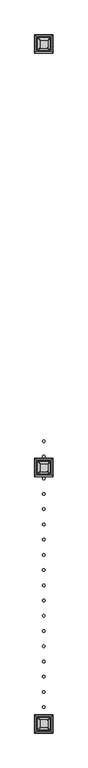
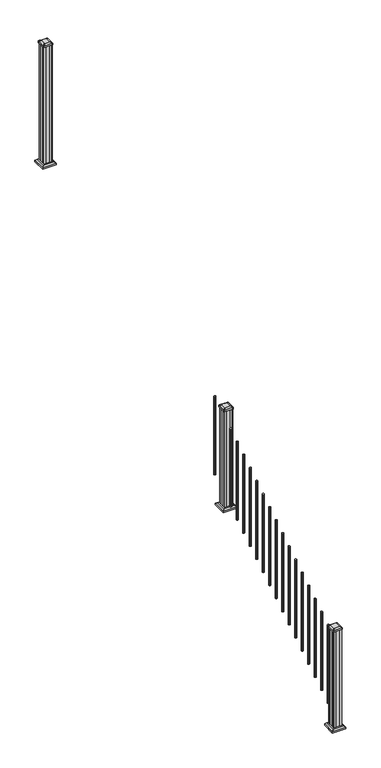
"""IFC4 building model written with IfcOpenShell, lengths in millimetres: railing geometry."""

from ifc_helpers import new_model, si_unit, point, frame, frame_2d, origin, place, context, project, spatial, polyline, circle_curve, trimmed, segment, composite_curve, outline, extrude, faceted_brep, source, transform, mapped, element, save
from ifc_brep_helpers import plane_surface, extruded_surface, advanced_brep


def railing_eb38c4d0(model_context):
    return source(origin(), model_context, "Body", "SolidModel", [
        extrude(outline(composite_curve([segment(trimmed(circle_curve(frame_2d((6225.9942659, -14792.9319681)), 9.525), [point((6235.5192659, -14792.9319681))], [point((6225.9942659, -14802.4569681))], False, "CARTESIAN"), True, "CONTINUOUS"), segment(trimmed(circle_curve(frame_2d((6225.9942659, -14792.9319681)), 9.525), [point((6225.9942659, -14802.4569681))], [point((6216.4692659, -14792.9319681))], False, "CARTESIAN"), True, "CONTINUOUS"), segment(trimmed(circle_curve(frame_2d((6225.9942659, -14792.9319681)), 9.525), [point((6216.4692659, -14792.9319681))], [point((6225.9942659, -14783.4069681))], False, "CARTESIAN"), True, "CONTINUOUS"), segment(trimmed(circle_curve(frame_2d((6225.9942659, -14792.9319681)), 9.525), [point((6225.9942659, -14783.4069681))], [point((6235.5192659, -14792.9319681))], False, "CARTESIAN"), True, "CONTINUOUS")], self_intersect=False)), frame((0.0, 0.0, 1555.1505656), z_axis=(0.0, 0.0, 1.0), x_axis=(1.0, 0.0, 0.0)), (0.0, 0.0, 1.0), 812.8041219),
        extrude(outline(composite_curve([segment(trimmed(circle_curve(frame_2d((6225.9942659, -14904.0569681)), 9.525), [point((6235.5192659, -14904.0569681))], [point((6225.9942659, -14913.5819681))], False, "CARTESIAN"), True, "CONTINUOUS"), segment(trimmed(circle_curve(frame_2d((6225.9942659, -14904.0569681)), 9.525), [point((6225.9942659, -14913.5819681))], [point((6216.4692659, -14904.0569681))], False, "CARTESIAN"), True, "CONTINUOUS"), segment(trimmed(circle_curve(frame_2d((6225.9942659, -14904.0569681)), 9.525), [point((6216.4692659, -14904.0569681))], [point((6225.9942659, -14894.5319681))], False, "CARTESIAN"), True, "CONTINUOUS"), segment(trimmed(circle_curve(frame_2d((6225.9942659, -14904.0569681)), 9.525), [point((6225.9942659, -14894.5319681))], [point((6235.5192659, -14904.0569681))], False, "CARTESIAN"), True, "CONTINUOUS")], self_intersect=False)), frame((0.0, 0.0, 1485.6974406), z_axis=(0.0, 0.0, 1.0), x_axis=(1.0, 0.0, 0.0)), (0.0, 0.0, 1.0), 812.8041219),
        faceted_brep([(6278.5802034, -15037.6054056, 1362.075), (6278.5802034, -14932.4335306, 1362.075), (6173.4083284, -14932.4335306, 1362.075), (6173.4083284, -15037.6054056, 1362.075), (6292.6196565, -15051.6448587, 1348.74), (6159.3688753, -15051.6448587, 1348.74), (6159.3688753, -14918.3940775, 1348.74), (6292.6196565, -14918.3940775, 1348.74)], [[[0, 1, 2, 3]], [[4, 5, 6, 7]], [[4, 0, 3, 5]], [[5, 3, 2, 6]], [[6, 2, 1, 7]], [[7, 1, 0, 4]]]),
        extrude(outline(polyline([(6292.6196565, -15051.6448587), (6159.3688753, -15051.6448587), (6159.3688753, -14918.3940775), (6292.6196565, -14918.3940775), (6292.6196565, -15051.6448587)])), frame((0.0, 0.0, 1333.5), z_axis=(0.0, 0.0, 1.0), x_axis=(1.0, 0.0, 0.0)), (0.0, 0.0, 1.0), 15.24),
        advanced_brep(
        [(6200.1973909, -15013.9913431, 2393.439263), (6251.7911409, -15013.9913431, 2393.439263), (6254.9661409, -15010.8163431, 2393.439263), (6254.9661409, -14959.2225931, 2393.439263), (6251.7911409, -14956.0475931, 2393.439263), (6200.1973909, -14956.0475931, 2393.439263), (6197.0223909, -14959.2225931, 2393.439263), (6197.0223909, -15010.8163431, 2393.439263), (6183.9255159, -15030.2632181, 2382.136263), (6180.7505159, -15027.0882181, 2382.136263), (6180.7505159, -14942.9507181, 2382.136263), (6183.9255159, -14939.7757181, 2382.136263), (6268.0630159, -14939.7757181, 2382.136263), (6271.2380159, -14942.9507181, 2382.136263), (6271.2380159, -15027.0882181, 2382.136263), (6268.0630159, -15030.2632181, 2382.136263)],
        [
            (0, 1),
            (1, 2, circle_curve(frame((6251.7911409, -15010.8163431, 2393.439263), z_axis=(0.0, 0.0, 1.0), x_axis=(0.0, 1.0, 0.0)), 3.175)),
            (2, 3),
            (3, 4, circle_curve(frame((6251.7911409, -14959.2225931, 2393.439263), z_axis=(0.0, 0.0, 1.0), x_axis=(0.0, 1.0, 0.0)), 3.175)),
            (4, 5),
            (5, 6, circle_curve(frame((6200.1973909, -14959.2225931, 2393.439263), z_axis=(0.0, 0.0, 1.0), x_axis=(0.0, 1.0, 0.0)), 3.175)),
            (6, 7),
            (7, 0, circle_curve(frame((6200.1973909, -15010.8163431, 2393.439263), z_axis=(0.0, 0.0, 1.0), x_axis=(0.0, 1.0, 0.0)), 3.175)),
            (8, 9, circle_curve(frame((6183.9255159, -15027.0882181, 2382.136263), z_axis=(0.0, 0.0, -1.0), x_axis=(0.0, 1.0, 0.0)), 3.175)),
            (9, 10),
            (10, 11, circle_curve(frame((6183.9255159, -14942.9507181, 2382.136263), z_axis=(0.0, 0.0, -1.0), x_axis=(0.0, 1.0, 0.0)), 3.175)),
            (11, 12),
            (12, 13, circle_curve(frame((6268.0630159, -14942.9507181, 2382.136263), z_axis=(0.0, 0.0, -1.0), x_axis=(0.0, 1.0, 0.0)), 3.175)),
            (13, 14),
            (14, 15, circle_curve(frame((6268.0630159, -15027.0882181, 2382.136263), z_axis=(0.0, 0.0, -1.0), x_axis=(0.0, 1.0, 0.0)), 3.175)),
            (15, 8),
            (8, 0),
            (7, 9),
            (6, 10),
            (5, 11),
            (4, 12),
            (3, 13),
            (2, 14),
            (1, 15),
        ],
        [
            plane_surface(frame((6225.9942659, -14985.0194681, 2393.439263), z_axis=(0.0, 0.0, 1.0), x_axis=(-1.0, 0.0, 0.0))),
            plane_surface(frame((6225.9942659, -14985.0194681, 2382.136263), z_axis=(0.0, 0.0, -1.0), x_axis=(-1.0, 0.0, 0.0))),
            extruded_surface(trimmed(circle_curve(frame((6200.1973909, -15010.8163431, 2393.439263), z_axis=(0.0, 0.0, -1.0), x_axis=(0.0, 1.0, 0.0)), 3.175), [point((6200.1973909, -15013.9913431, 2393.439263))], [point((6197.0223909, -15010.8163431, 2393.439263))], True, "CARTESIAN"), (-16.271874999999454, -16.271875000000364, -11.303000000000338), 25.6379726388662),
            plane_surface(frame((6180.7505159, -14985.0194681, 2382.136263), z_axis=(-0.5705009161540778, 0.0, 0.8212969649690408), x_axis=(0.0, 1.0, 0.0))),
            extruded_surface(trimmed(circle_curve(frame((6200.1973909, -14959.2225931, 2393.439263), z_axis=(0.0, 0.0, -1.0), x_axis=(0.0, 1.0, 0.0)), 3.175), [point((6197.0223909, -14959.2225931, 2393.439263))], [point((6200.1973909, -14956.0475931, 2393.439263))], True, "CARTESIAN"), (-16.271874999999454, 16.271874999998545, -11.303000000000338), 25.63797263886504),
            plane_surface(frame((6225.9942659, -14939.7757181, 2382.136263), z_axis=(0.0, 0.5705009161540291, 0.8212969649690747), x_axis=(1.0, 0.0, 0.0))),
            extruded_surface(trimmed(circle_curve(frame((6251.7911409, -14959.2225931, 2393.439263), z_axis=(0.0, 0.0, -1.0), x_axis=(0.0, 1.0, 0.0)), 3.175), [point((6251.7911409, -14956.0475931, 2393.439263))], [point((6254.9661409, -14959.2225931, 2393.439263))], True, "CARTESIAN"), (16.271875000000364, 16.271874999998545, -11.303000000000338), 25.63797263886562),
            plane_surface(frame((6271.2380159, -14985.0194681, 2382.136263), z_axis=(0.5705009161540142, 0.0, 0.8212969649690851), x_axis=(0.0, -1.0, 0.0))),
            extruded_surface(trimmed(circle_curve(frame((6251.7911409, -15010.8163431, 2393.439263), z_axis=(0.0, 0.0, -1.0), x_axis=(0.0, 1.0, 0.0)), 3.175), [point((6254.9661409, -15010.8163431, 2393.439263))], [point((6251.7911409, -15013.9913431, 2393.439263))], True, "CARTESIAN"), (16.271875000000364, -16.271875000000364, -11.303000000000338), 25.637972638866774),
            plane_surface(frame((6225.9942659, -15030.2632181, 2382.136263), z_axis=(0.0, -0.570500916154034, 0.8212969649690713), x_axis=(-1.0, 0.0, 0.0))),
        ],
        [
            (0, [[1, 2, 3, 4, 5, 6, 7, 8]]),
            (1, [[9, 10, 11, 12, 13, 14, 15, 16]]),
            (2, [[17, -8, 18, -9]]),
            (3, [[-18, -7, 19, -10]]),
            (4, [[-19, -6, 20, -11]]),
            (5, [[-20, -5, 21, -12]]),
            (6, [[-21, -4, 22, -13]]),
            (7, [[-22, -3, 23, -14]]),
            (8, [[-23, -2, 24, -15]]),
            (9, [[-24, -1, -17, -16]]),
        ],
    ),
        extrude(outline(composite_curve([segment(trimmed(circle_curve(frame_2d((6183.9255159, -15027.0882181)), 3.175), [point((6183.9255159, -15030.2632181))], [point((6180.7505159, -15027.0882181))], False, "CARTESIAN"), True, "CONTINUOUS"), segment(polyline([(6180.7505159, -15027.0882181), (6180.7505159, -14942.9507181)]), True, "CONTINUOUS"), segment(trimmed(circle_curve(frame_2d((6183.9255159, -14942.9507181)), 3.175), [point((6180.7505159, -14942.9507181))], [point((6183.9255159, -14939.7757181))], False, "CARTESIAN"), True, "CONTINUOUS"), segment(polyline([(6183.9255159, -14939.7757181), (6268.0630159, -14939.7757181)]), True, "CONTINUOUS"), segment(trimmed(circle_curve(frame_2d((6268.0630159, -14942.9507181)), 3.175), [point((6268.0630159, -14939.7757181))], [point((6271.2380159, -14942.9507181))], False, "CARTESIAN"), True, "CONTINUOUS"), segment(polyline([(6271.2380159, -14942.9507181), (6271.2380159, -15027.0882181)]), True, "CONTINUOUS"), segment(trimmed(circle_curve(frame_2d((6268.0630159, -15027.0882181)), 3.175), [point((6271.2380159, -15027.0882181))], [point((6268.0630159, -15030.2632181))], False, "CARTESIAN"), True, "CONTINUOUS"), segment(polyline([(6268.0630159, -15030.2632181), (6183.9255159, -15030.2632181)]), True, "CONTINUOUS")], self_intersect=False)), frame((0.0, 0.0, 2364.864263), z_axis=(0.0, 0.0, 1.0), x_axis=(1.0, 0.0, 0.0)), (0.0, 0.0, 1.0), 17.272),
        extrude(outline(polyline([(6186.3067659, -15026.2944681), (6184.7192659, -15024.7069681), (6184.7192659, -15005.0854681), (6186.3067659, -15004.3234681), (6186.3067659, -14965.7154681), (6184.7192659, -14964.9534681), (6184.7192659, -14945.3319681), (6186.3067659, -14943.7444681), (6205.9282659, -14943.7444681), (6206.6902659, -14945.3319681), (6245.2982659, -14945.3319681), (6246.0602659, -14943.7444681), (6265.6817659, -14943.7444681), (6267.2692659, -14945.3319681), (6267.2692659, -14964.9534681), (6265.6817659, -14965.7154681), (6265.6817659, -15004.3234681), (6267.2692659, -15005.0854681), (6267.2692659, -15024.7069681), (6265.6817659, -15026.2944681), (6246.0602659, -15026.2944681), (6245.2982659, -15024.7069681), (6206.6902659, -15024.7069681), (6205.9282659, -15026.2944681), (6186.3067659, -15026.2944681)])), frame((0.0, 0.0, 1333.5), z_axis=(0.0, 0.0, 1.0), x_axis=(1.0, 0.0, 0.0)), (0.0, 0.0, 1.0), 1031.364263),
        extrude(outline(composite_curve([segment(trimmed(circle_curve(frame_2d((6225.9942659, -15065.9819681)), 9.525), [point((6235.5192659, -15065.9819681))], [point((6225.9942659, -15075.5069681))], False, "CARTESIAN"), True, "CONTINUOUS"), segment(trimmed(circle_curve(frame_2d((6225.9942659, -15065.9819681)), 9.525), [point((6225.9942659, -15075.5069681))], [point((6216.4692659, -15065.9819681))], False, "CARTESIAN"), True, "CONTINUOUS"), segment(trimmed(circle_curve(frame_2d((6225.9942659, -15065.9819681)), 9.525), [point((6216.4692659, -15065.9819681))], [point((6225.9942659, -15056.4569681))], False, "CARTESIAN"), True, "CONTINUOUS"), segment(trimmed(circle_curve(frame_2d((6225.9942659, -15065.9819681)), 9.525), [point((6225.9942659, -15056.4569681))], [point((6235.5192659, -15065.9819681))], False, "CARTESIAN"), True, "CONTINUOUS")], self_intersect=False)), frame((0.0, 0.0, 1384.4943156), z_axis=(0.0, 0.0, 1.0), x_axis=(1.0, 0.0, 0.0)), (0.0, 0.0, 1.0), 812.8041219),
        extrude(outline(composite_curve([segment(trimmed(circle_curve(frame_2d((6225.9942659, -15177.1069681)), 9.525), [point((6235.5192659, -15177.1069681))], [point((6225.9942659, -15186.6319681))], False, "CARTESIAN"), True, "CONTINUOUS"), segment(trimmed(circle_curve(frame_2d((6225.9942659, -15177.1069681)), 9.525), [point((6225.9942659, -15186.6319681))], [point((6216.4692659, -15177.1069681))], False, "CARTESIAN"), True, "CONTINUOUS"), segment(trimmed(circle_curve(frame_2d((6225.9942659, -15177.1069681)), 9.525), [point((6216.4692659, -15177.1069681))], [point((6225.9942659, -15167.5819681))], False, "CARTESIAN"), True, "CONTINUOUS"), segment(trimmed(circle_curve(frame_2d((6225.9942659, -15177.1069681)), 9.525), [point((6225.9942659, -15167.5819681))], [point((6235.5192659, -15177.1069681))], False, "CARTESIAN"), True, "CONTINUOUS")], self_intersect=False)), frame((0.0, 0.0, 1315.0411906), z_axis=(0.0, 0.0, 1.0), x_axis=(1.0, 0.0, 0.0)), (0.0, 0.0, 1.0), 812.8041219),
        extrude(outline(composite_curve([segment(trimmed(circle_curve(frame_2d((6225.9942659, -15288.2319681)), 9.525), [point((6235.5192659, -15288.2319681))], [point((6225.9942659, -15297.7569681))], False, "CARTESIAN"), True, "CONTINUOUS"), segment(trimmed(circle_curve(frame_2d((6225.9942659, -15288.2319681)), 9.525), [point((6225.9942659, -15297.7569681))], [point((6216.4692659, -15288.2319681))], False, "CARTESIAN"), True, "CONTINUOUS"), segment(trimmed(circle_curve(frame_2d((6225.9942659, -15288.2319681)), 9.525), [point((6216.4692659, -15288.2319681))], [point((6225.9942659, -15278.7069681))], False, "CARTESIAN"), True, "CONTINUOUS"), segment(trimmed(circle_curve(frame_2d((6225.9942659, -15288.2319681)), 9.525), [point((6225.9942659, -15278.7069681))], [point((6235.5192659, -15288.2319681))], False, "CARTESIAN"), True, "CONTINUOUS")], self_intersect=False)), frame((0.0, 0.0, 1245.5880656), z_axis=(0.0, 0.0, 1.0), x_axis=(1.0, 0.0, 0.0)), (0.0, 0.0, 1.0), 812.8041219),
        extrude(outline(composite_curve([segment(trimmed(circle_curve(frame_2d((6225.9942659, -15399.3569681)), 9.525), [point((6235.5192659, -15399.3569681))], [point((6225.9942659, -15408.8819681))], False, "CARTESIAN"), True, "CONTINUOUS"), segment(trimmed(circle_curve(frame_2d((6225.9942659, -15399.3569681)), 9.525), [point((6225.9942659, -15408.8819681))], [point((6216.4692659, -15399.3569681))], False, "CARTESIAN"), True, "CONTINUOUS"), segment(trimmed(circle_curve(frame_2d((6225.9942659, -15399.3569681)), 9.525), [point((6216.4692659, -15399.3569681))], [point((6225.9942659, -15389.8319681))], False, "CARTESIAN"), True, "CONTINUOUS"), segment(trimmed(circle_curve(frame_2d((6225.9942659, -15399.3569681)), 9.525), [point((6225.9942659, -15389.8319681))], [point((6235.5192659, -15399.3569681))], False, "CARTESIAN"), True, "CONTINUOUS")], self_intersect=False)), frame((0.0, 0.0, 1176.1349406), z_axis=(0.0, 0.0, 1.0), x_axis=(1.0, 0.0, 0.0)), (0.0, 0.0, 1.0), 812.8041219),
        extrude(outline(composite_curve([segment(trimmed(circle_curve(frame_2d((6225.9942659, -15510.4819681)), 9.525), [point((6235.5192659, -15510.4819681))], [point((6225.9942659, -15520.0069681))], False, "CARTESIAN"), True, "CONTINUOUS"), segment(trimmed(circle_curve(frame_2d((6225.9942659, -15510.4819681)), 9.525), [point((6225.9942659, -15520.0069681))], [point((6216.4692659, -15510.4819681))], False, "CARTESIAN"), True, "CONTINUOUS"), segment(trimmed(circle_curve(frame_2d((6225.9942659, -15510.4819681)), 9.525), [point((6216.4692659, -15510.4819681))], [point((6225.9942659, -15500.9569681))], False, "CARTESIAN"), True, "CONTINUOUS"), segment(trimmed(circle_curve(frame_2d((6225.9942659, -15510.4819681)), 9.525), [point((6225.9942659, -15500.9569681))], [point((6235.5192659, -15510.4819681))], False, "CARTESIAN"), True, "CONTINUOUS")], self_intersect=False)), frame((0.0, 0.0, 1106.6818156), z_axis=(0.0, 0.0, 1.0), x_axis=(1.0, 0.0, 0.0)), (0.0, 0.0, 1.0), 812.8041219),
        extrude(outline(composite_curve([segment(trimmed(circle_curve(frame_2d((6225.9942659, -15621.6069681)), 9.525), [point((6235.5192659, -15621.6069681))], [point((6225.9942659, -15631.1319681))], False, "CARTESIAN"), True, "CONTINUOUS"), segment(trimmed(circle_curve(frame_2d((6225.9942659, -15621.6069681)), 9.525), [point((6225.9942659, -15631.1319681))], [point((6216.4692659, -15621.6069681))], False, "CARTESIAN"), True, "CONTINUOUS"), segment(trimmed(circle_curve(frame_2d((6225.9942659, -15621.6069681)), 9.525), [point((6216.4692659, -15621.6069681))], [point((6225.9942659, -15612.0819681))], False, "CARTESIAN"), True, "CONTINUOUS"), segment(trimmed(circle_curve(frame_2d((6225.9942659, -15621.6069681)), 9.525), [point((6225.9942659, -15612.0819681))], [point((6235.5192659, -15621.6069681))], False, "CARTESIAN"), True, "CONTINUOUS")], self_intersect=False)), frame((0.0, 0.0, 1037.2286906), z_axis=(0.0, 0.0, 1.0), x_axis=(1.0, 0.0, 0.0)), (0.0, 0.0, 1.0), 812.8041219),
        extrude(outline(composite_curve([segment(trimmed(circle_curve(frame_2d((6225.9942659, -15732.7319681)), 9.525), [point((6235.5192659, -15732.7319681))], [point((6225.9942659, -15742.2569681))], False, "CARTESIAN"), True, "CONTINUOUS"), segment(trimmed(circle_curve(frame_2d((6225.9942659, -15732.7319681)), 9.525), [point((6225.9942659, -15742.2569681))], [point((6216.4692659, -15732.7319681))], False, "CARTESIAN"), True, "CONTINUOUS"), segment(trimmed(circle_curve(frame_2d((6225.9942659, -15732.7319681)), 9.525), [point((6216.4692659, -15732.7319681))], [point((6225.9942659, -15723.2069681))], False, "CARTESIAN"), True, "CONTINUOUS"), segment(trimmed(circle_curve(frame_2d((6225.9942659, -15732.7319681)), 9.525), [point((6225.9942659, -15723.2069681))], [point((6235.5192659, -15732.7319681))], False, "CARTESIAN"), True, "CONTINUOUS")], self_intersect=False)), frame((0.0, 0.0, 967.7755656), z_axis=(0.0, 0.0, 1.0), x_axis=(1.0, 0.0, 0.0)), (0.0, 0.0, 1.0), 812.8041219),
        extrude(outline(composite_curve([segment(trimmed(circle_curve(frame_2d((6225.9942659, -15843.8569681)), 9.525), [point((6235.5192659, -15843.8569681))], [point((6225.9942659, -15853.3819681))], False, "CARTESIAN"), True, "CONTINUOUS"), segment(trimmed(circle_curve(frame_2d((6225.9942659, -15843.8569681)), 9.525), [point((6225.9942659, -15853.3819681))], [point((6216.4692659, -15843.8569681))], False, "CARTESIAN"), True, "CONTINUOUS"), segment(trimmed(circle_curve(frame_2d((6225.9942659, -15843.8569681)), 9.525), [point((6216.4692659, -15843.8569681))], [point((6225.9942659, -15834.3319681))], False, "CARTESIAN"), True, "CONTINUOUS"), segment(trimmed(circle_curve(frame_2d((6225.9942659, -15843.8569681)), 9.525), [point((6225.9942659, -15834.3319681))], [point((6235.5192659, -15843.8569681))], False, "CARTESIAN"), True, "CONTINUOUS")], self_intersect=False)), frame((0.0, 0.0, 898.3224406), z_axis=(0.0, 0.0, 1.0), x_axis=(1.0, 0.0, 0.0)), (0.0, 0.0, 1.0), 812.8041219),
        extrude(outline(composite_curve([segment(trimmed(circle_curve(frame_2d((6225.9942659, -15954.9819681)), 9.525), [point((6235.5192659, -15954.9819681))], [point((6225.9942659, -15964.5069681))], False, "CARTESIAN"), True, "CONTINUOUS"), segment(trimmed(circle_curve(frame_2d((6225.9942659, -15954.9819681)), 9.525), [point((6225.9942659, -15964.5069681))], [point((6216.4692659, -15954.9819681))], False, "CARTESIAN"), True, "CONTINUOUS"), segment(trimmed(circle_curve(frame_2d((6225.9942659, -15954.9819681)), 9.525), [point((6216.4692659, -15954.9819681))], [point((6225.9942659, -15945.4569681))], False, "CARTESIAN"), True, "CONTINUOUS"), segment(trimmed(circle_curve(frame_2d((6225.9942659, -15954.9819681)), 9.525), [point((6225.9942659, -15945.4569681))], [point((6235.5192659, -15954.9819681))], False, "CARTESIAN"), True, "CONTINUOUS")], self_intersect=False)), frame((0.0, 0.0, 828.8693156), z_axis=(0.0, 0.0, 1.0), x_axis=(1.0, 0.0, 0.0)), (0.0, 0.0, 1.0), 812.8041219),
        extrude(outline(composite_curve([segment(trimmed(circle_curve(frame_2d((6225.9942659, -16066.1069681)), 9.525), [point((6235.5192659, -16066.1069681))], [point((6225.9942659, -16075.6319681))], False, "CARTESIAN"), True, "CONTINUOUS"), segment(trimmed(circle_curve(frame_2d((6225.9942659, -16066.1069681)), 9.525), [point((6225.9942659, -16075.6319681))], [point((6216.4692659, -16066.1069681))], False, "CARTESIAN"), True, "CONTINUOUS"), segment(trimmed(circle_curve(frame_2d((6225.9942659, -16066.1069681)), 9.525), [point((6216.4692659, -16066.1069681))], [point((6225.9942659, -16056.5819681))], False, "CARTESIAN"), True, "CONTINUOUS"), segment(trimmed(circle_curve(frame_2d((6225.9942659, -16066.1069681)), 9.525), [point((6225.9942659, -16056.5819681))], [point((6235.5192659, -16066.1069681))], False, "CARTESIAN"), True, "CONTINUOUS")], self_intersect=False)), frame((0.0, 0.0, 759.4161906), z_axis=(0.0, 0.0, 1.0), x_axis=(1.0, 0.0, 0.0)), (0.0, 0.0, 1.0), 812.8041219),
        extrude(outline(composite_curve([segment(trimmed(circle_curve(frame_2d((6225.9942659, -16177.2319681)), 9.525), [point((6235.5192659, -16177.2319681))], [point((6225.9942659, -16186.7569681))], False, "CARTESIAN"), True, "CONTINUOUS"), segment(trimmed(circle_curve(frame_2d((6225.9942659, -16177.2319681)), 9.525), [point((6225.9942659, -16186.7569681))], [point((6216.4692659, -16177.2319681))], False, "CARTESIAN"), True, "CONTINUOUS"), segment(trimmed(circle_curve(frame_2d((6225.9942659, -16177.2319681)), 9.525), [point((6216.4692659, -16177.2319681))], [point((6225.9942659, -16167.7069681))], False, "CARTESIAN"), True, "CONTINUOUS"), segment(trimmed(circle_curve(frame_2d((6225.9942659, -16177.2319681)), 9.525), [point((6225.9942659, -16167.7069681))], [point((6235.5192659, -16177.2319681))], False, "CARTESIAN"), True, "CONTINUOUS")], self_intersect=False)), frame((0.0, 0.0, 689.9630656), z_axis=(0.0, 0.0, 1.0), x_axis=(1.0, 0.0, 0.0)), (0.0, 0.0, 1.0), 812.8041219),
        extrude(outline(composite_curve([segment(trimmed(circle_curve(frame_2d((6225.9942659, -16288.3569681)), 9.525), [point((6235.5192659, -16288.3569681))], [point((6225.9942659, -16297.8819681))], False, "CARTESIAN"), True, "CONTINUOUS"), segment(trimmed(circle_curve(frame_2d((6225.9942659, -16288.3569681)), 9.525), [point((6225.9942659, -16297.8819681))], [point((6216.4692659, -16288.3569681))], False, "CARTESIAN"), True, "CONTINUOUS"), segment(trimmed(circle_curve(frame_2d((6225.9942659, -16288.3569681)), 9.525), [point((6216.4692659, -16288.3569681))], [point((6225.9942659, -16278.8319681))], False, "CARTESIAN"), True, "CONTINUOUS"), segment(trimmed(circle_curve(frame_2d((6225.9942659, -16288.3569681)), 9.525), [point((6225.9942659, -16278.8319681))], [point((6235.5192659, -16288.3569681))], False, "CARTESIAN"), True, "CONTINUOUS")], self_intersect=False)), frame((0.0, 0.0, 620.5099406), z_axis=(0.0, 0.0, 1.0), x_axis=(1.0, 0.0, 0.0)), (0.0, 0.0, 1.0), 812.8041219),
        extrude(outline(composite_curve([segment(trimmed(circle_curve(frame_2d((6225.9942659, -16399.4819681)), 9.525), [point((6235.5192659, -16399.4819681))], [point((6225.9942659, -16409.0069681))], False, "CARTESIAN"), True, "CONTINUOUS"), segment(trimmed(circle_curve(frame_2d((6225.9942659, -16399.4819681)), 9.525), [point((6225.9942659, -16409.0069681))], [point((6216.4692659, -16399.4819681))], False, "CARTESIAN"), True, "CONTINUOUS"), segment(trimmed(circle_curve(frame_2d((6225.9942659, -16399.4819681)), 9.525), [point((6216.4692659, -16399.4819681))], [point((6225.9942659, -16389.9569681))], False, "CARTESIAN"), True, "CONTINUOUS"), segment(trimmed(circle_curve(frame_2d((6225.9942659, -16399.4819681)), 9.525), [point((6225.9942659, -16389.9569681))], [point((6235.5192659, -16399.4819681))], False, "CARTESIAN"), True, "CONTINUOUS")], self_intersect=False)), frame((0.0, 0.0, 551.0568156), z_axis=(0.0, 0.0, 1.0), x_axis=(1.0, 0.0, 0.0)), (0.0, 0.0, 1.0), 812.8041219),
        extrude(outline(composite_curve([segment(trimmed(circle_curve(frame_2d((6225.9942659, -16510.6069681)), 9.525), [point((6235.5192659, -16510.6069681))], [point((6225.9942659, -16520.1319681))], False, "CARTESIAN"), True, "CONTINUOUS"), segment(trimmed(circle_curve(frame_2d((6225.9942659, -16510.6069681)), 9.525), [point((6225.9942659, -16520.1319681))], [point((6216.4692659, -16510.6069681))], False, "CARTESIAN"), True, "CONTINUOUS"), segment(trimmed(circle_curve(frame_2d((6225.9942659, -16510.6069681)), 9.525), [point((6216.4692659, -16510.6069681))], [point((6225.9942659, -16501.0819681))], False, "CARTESIAN"), True, "CONTINUOUS"), segment(trimmed(circle_curve(frame_2d((6225.9942659, -16510.6069681)), 9.525), [point((6225.9942659, -16501.0819681))], [point((6235.5192659, -16510.6069681))], False, "CARTESIAN"), True, "CONTINUOUS")], self_intersect=False)), frame((0.0, 0.0, 481.6036906), z_axis=(0.0, 0.0, 1.0), x_axis=(1.0, 0.0, 0.0)), (0.0, 0.0, 1.0), 812.8041219),
        extrude(outline(composite_curve([segment(trimmed(circle_curve(frame_2d((6225.9942659, -16621.7319681)), 9.525), [point((6235.5192659, -16621.7319681))], [point((6225.9942659, -16631.2569681))], False, "CARTESIAN"), True, "CONTINUOUS"), segment(trimmed(circle_curve(frame_2d((6225.9942659, -16621.7319681)), 9.525), [point((6225.9942659, -16631.2569681))], [point((6216.4692659, -16621.7319681))], False, "CARTESIAN"), True, "CONTINUOUS"), segment(trimmed(circle_curve(frame_2d((6225.9942659, -16621.7319681)), 9.525), [point((6216.4692659, -16621.7319681))], [point((6225.9942659, -16612.2069681))], False, "CARTESIAN"), True, "CONTINUOUS"), segment(trimmed(circle_curve(frame_2d((6225.9942659, -16621.7319681)), 9.525), [point((6225.9942659, -16612.2069681))], [point((6235.5192659, -16621.7319681))], False, "CARTESIAN"), True, "CONTINUOUS")], self_intersect=False)), frame((0.0, 0.0, 412.1505656), z_axis=(0.0, 0.0, 1.0), x_axis=(1.0, 0.0, 0.0)), (0.0, 0.0, 1.0), 812.8041219),
        extrude(outline(composite_curve([segment(trimmed(circle_curve(frame_2d((6225.9942659, -16732.8569681)), 9.525), [point((6235.5192659, -16732.8569681))], [point((6225.9942659, -16742.3819681))], False, "CARTESIAN"), True, "CONTINUOUS"), segment(trimmed(circle_curve(frame_2d((6225.9942659, -16732.8569681)), 9.525), [point((6225.9942659, -16742.3819681))], [point((6216.4692659, -16732.8569681))], False, "CARTESIAN"), True, "CONTINUOUS"), segment(trimmed(circle_curve(frame_2d((6225.9942659, -16732.8569681)), 9.525), [point((6216.4692659, -16732.8569681))], [point((6225.9942659, -16723.3319681))], False, "CARTESIAN"), True, "CONTINUOUS"), segment(trimmed(circle_curve(frame_2d((6225.9942659, -16732.8569681)), 9.525), [point((6225.9942659, -16723.3319681))], [point((6235.5192659, -16732.8569681))], False, "CARTESIAN"), True, "CONTINUOUS")], self_intersect=False)), frame((0.0, 0.0, 342.6974406), z_axis=(0.0, 0.0, 1.0), x_axis=(1.0, 0.0, 0.0)), (0.0, 0.0, 1.0), 812.8041219),
        extrude(outline(polyline([(6186.3067659, -11937.0194681), (6184.7192659, -11935.4319681), (6184.7192659, -11915.8104681), (6186.3067659, -11915.0484681), (6186.3067659, -11876.4404681), (6184.7192659, -11875.6784681), (6184.7192659, -11856.0569681), (6186.3067659, -11854.4694681), (6205.9282659, -11854.4694681), (6206.6902659, -11856.0569681), (6245.2982659, -11856.0569681), (6246.0602659, -11854.4694681), (6265.6817659, -11854.4694681), (6267.2692659, -11856.0569681), (6267.2692659, -11875.6784681), (6265.6817659, -11876.4404681), (6265.6817659, -11915.0484681), (6267.2692659, -11915.8104681), (6267.2692659, -11935.4319681), (6265.6817659, -11937.0194681), (6246.0602659, -11937.0194681), (6245.2982659, -11935.4319681), (6206.6902659, -11935.4319681), (6205.9282659, -11937.0194681), (6186.3067659, -11937.0194681)])), frame((0.0, 0.0, 3048.0), z_axis=(0.0, 0.0, 1.0), x_axis=(1.0, 0.0, 0.0)), (0.0, 0.0, 1.0), 1247.661138),
        faceted_brep([(6278.5802034, -11948.3304056, 3076.575), (6278.5802034, -11843.1585306, 3076.575), (6173.4083284, -11843.1585306, 3076.575), (6173.4083284, -11948.3304056, 3076.575), (6292.6196565, -11962.3698587, 3063.24), (6159.3688753, -11962.3698587, 3063.24), (6159.3688753, -11829.1190775, 3063.24), (6292.6196565, -11829.1190775, 3063.24)], [[[0, 1, 2, 3]], [[4, 5, 6, 7]], [[4, 0, 3, 5]], [[5, 3, 2, 6]], [[6, 2, 1, 7]], [[7, 1, 0, 4]]]),
        extrude(outline(polyline([(6292.6196565, -11962.3698587), (6159.3688753, -11962.3698587), (6159.3688753, -11829.1190775), (6292.6196565, -11829.1190775), (6292.6196565, -11962.3698587)])), frame((0.0, 0.0, 3048.0), z_axis=(0.0, 0.0, 1.0), x_axis=(1.0, 0.0, 0.0)), (0.0, 0.0, 1.0), 15.24),
        advanced_brep(
        [(6200.1973909, -11924.7163431, 4324.236138), (6251.7911409, -11924.7163431, 4324.236138), (6254.9661409, -11921.5413431, 4324.236138), (6254.9661409, -11869.9475931, 4324.236138), (6251.7911409, -11866.7725931, 4324.236138), (6200.1973909, -11866.7725931, 4324.236138), (6197.0223909, -11869.9475931, 4324.236138), (6197.0223909, -11921.5413431, 4324.236138), (6183.9255159, -11940.9882181, 4312.933138), (6180.7505159, -11937.8132181, 4312.933138), (6180.7505159, -11853.6757181, 4312.933138), (6183.9255159, -11850.5007181, 4312.933138), (6268.0630159, -11850.5007181, 4312.933138), (6271.2380159, -11853.6757181, 4312.933138), (6271.2380159, -11937.8132181, 4312.933138), (6268.0630159, -11940.9882181, 4312.933138)],
        [
            (0, 1),
            (1, 2, circle_curve(frame((6251.7911409, -11921.5413431, 4324.236138), z_axis=(0.0, 0.0, 1.0), x_axis=(0.0, 1.0, 0.0)), 3.175)),
            (2, 3),
            (3, 4, circle_curve(frame((6251.7911409, -11869.9475931, 4324.236138), z_axis=(0.0, 0.0, 1.0), x_axis=(0.0, 1.0, 0.0)), 3.175)),
            (4, 5),
            (5, 6, circle_curve(frame((6200.1973909, -11869.9475931, 4324.236138), z_axis=(0.0, 0.0, 1.0), x_axis=(0.0, 1.0, 0.0)), 3.175)),
            (6, 7),
            (7, 0, circle_curve(frame((6200.1973909, -11921.5413431, 4324.236138), z_axis=(0.0, 0.0, 1.0), x_axis=(0.0, 1.0, 0.0)), 3.175)),
            (8, 9, circle_curve(frame((6183.9255159, -11937.8132181, 4312.933138), z_axis=(0.0, 0.0, -1.0), x_axis=(0.0, 1.0, 0.0)), 3.175)),
            (9, 10),
            (10, 11, circle_curve(frame((6183.9255159, -11853.6757181, 4312.933138), z_axis=(0.0, 0.0, -1.0), x_axis=(0.0, 1.0, 0.0)), 3.175)),
            (11, 12),
            (12, 13, circle_curve(frame((6268.0630159, -11853.6757181, 4312.933138), z_axis=(0.0, 0.0, -1.0), x_axis=(0.0, 1.0, 0.0)), 3.175)),
            (13, 14),
            (14, 15, circle_curve(frame((6268.0630159, -11937.8132181, 4312.933138), z_axis=(0.0, 0.0, -1.0), x_axis=(0.0, 1.0, 0.0)), 3.175)),
            (15, 8),
            (8, 0),
            (7, 9),
            (6, 10),
            (5, 11),
            (4, 12),
            (3, 13),
            (2, 14),
            (1, 15),
        ],
        [
            plane_surface(frame((6225.9942659, -11895.7444681, 4324.236138), z_axis=(0.0, 0.0, 1.0), x_axis=(-1.0, 0.0, 0.0))),
            plane_surface(frame((6225.9942659, -11895.7444681, 4312.933138), z_axis=(0.0, 0.0, -1.0), x_axis=(-1.0, 0.0, 0.0))),
            extruded_surface(trimmed(circle_curve(frame((6200.1973909, -11921.5413431, 4324.236138), z_axis=(0.0, 0.0, -1.0), x_axis=(0.0, 1.0, 0.0)), 3.175), [point((6200.1973909, -11924.7163431, 4324.236138))], [point((6197.0223909, -11921.5413431, 4324.236138))], True, "CARTESIAN"), (-16.271874999999454, -16.271875000000364, -11.302999999999884), 25.637972638865996),
            plane_surface(frame((6180.7505159, -11895.7444681, 4312.933138), z_axis=(-0.5705009161540687, 0.0, 0.8212969649690472), x_axis=(0.0, 1.0, 0.0))),
            extruded_surface(trimmed(circle_curve(frame((6200.1973909, -11869.9475931, 4324.236138), z_axis=(0.0, 0.0, -1.0), x_axis=(0.0, 1.0, 0.0)), 3.175), [point((6197.0223909, -11869.9475931, 4324.236138))], [point((6200.1973909, -11866.7725931, 4324.236138))], True, "CARTESIAN"), (-16.271874999999454, 16.271875000000364, -11.302999999999884), 25.637972638865996),
            plane_surface(frame((6225.9942659, -11850.5007181, 4312.933138), z_axis=(0.0, 0.5705009161540291, 0.8212969649690747), x_axis=(1.0, 0.0, 0.0))),
            extruded_surface(trimmed(circle_curve(frame((6251.7911409, -11869.9475931, 4324.236138), z_axis=(0.0, 0.0, -1.0), x_axis=(0.0, 1.0, 0.0)), 3.175), [point((6251.7911409, -11866.7725931, 4324.236138))], [point((6254.9661409, -11869.9475931, 4324.236138))], True, "CARTESIAN"), (16.271875000000364, 16.271875000000364, -11.302999999999884), 25.63797263886657),
            plane_surface(frame((6271.2380159, -11895.7444681, 4312.933138), z_axis=(0.5705009161540233, 0.0, 0.8212969649690787), x_axis=(0.0, -1.0, 0.0))),
            extruded_surface(trimmed(circle_curve(frame((6251.7911409, -11921.5413431, 4324.236138), z_axis=(0.0, 0.0, -1.0), x_axis=(0.0, 1.0, 0.0)), 3.175), [point((6254.9661409, -11921.5413431, 4324.236138))], [point((6251.7911409, -11924.7163431, 4324.236138))], True, "CARTESIAN"), (16.271875000000364, -16.271875000000364, -11.302999999999884), 25.63797263886657),
            plane_surface(frame((6225.9942659, -11940.9882181, 4312.933138), z_axis=(0.0, -0.570500916154034, 0.8212969649690713), x_axis=(-1.0, 0.0, 0.0))),
        ],
        [
            (0, [[1, 2, 3, 4, 5, 6, 7, 8]]),
            (1, [[9, 10, 11, 12, 13, 14, 15, 16]]),
            (2, [[17, -8, 18, -9]]),
            (3, [[-18, -7, 19, -10]]),
            (4, [[-19, -6, 20, -11]]),
            (5, [[-20, -5, 21, -12]]),
            (6, [[-21, -4, 22, -13]]),
            (7, [[-22, -3, 23, -14]]),
            (8, [[-23, -2, 24, -15]]),
            (9, [[-24, -1, -17, -16]]),
        ],
    ),
        extrude(outline(composite_curve([segment(trimmed(circle_curve(frame_2d((6183.9255159, -11937.8132181)), 3.175), [point((6183.9255159, -11940.9882181))], [point((6180.7505159, -11937.8132181))], False, "CARTESIAN"), True, "CONTINUOUS"), segment(polyline([(6180.7505159, -11937.8132181), (6180.7505159, -11853.6757181)]), True, "CONTINUOUS"), segment(trimmed(circle_curve(frame_2d((6183.9255159, -11853.6757181)), 3.175), [point((6180.7505159, -11853.6757181))], [point((6183.9255159, -11850.5007181))], False, "CARTESIAN"), True, "CONTINUOUS"), segment(polyline([(6183.9255159, -11850.5007181), (6268.0630159, -11850.5007181)]), True, "CONTINUOUS"), segment(trimmed(circle_curve(frame_2d((6268.0630159, -11853.6757181)), 3.175), [point((6268.0630159, -11850.5007181))], [point((6271.2380159, -11853.6757181))], False, "CARTESIAN"), True, "CONTINUOUS"), segment(polyline([(6271.2380159, -11853.6757181), (6271.2380159, -11937.8132181)]), True, "CONTINUOUS"), segment(trimmed(circle_curve(frame_2d((6268.0630159, -11937.8132181)), 3.175), [point((6271.2380159, -11937.8132181))], [point((6268.0630159, -11940.9882181))], False, "CARTESIAN"), True, "CONTINUOUS"), segment(polyline([(6268.0630159, -11940.9882181), (6183.9255159, -11940.9882181)]), True, "CONTINUOUS")], self_intersect=False)), frame((0.0, 0.0, 4295.661138), z_axis=(0.0, 0.0, 1.0), x_axis=(1.0, 0.0, 0.0)), (0.0, 0.0, 1.0), 17.272),
        faceted_brep([(6278.5802034, -16907.6804056, 193.278125), (6278.5802034, -16802.5085306, 193.278125), (6173.4083284, -16802.5085306, 193.278125), (6173.4083284, -16907.6804056, 193.278125), (6292.6196565, -16921.7198587, 179.943125), (6159.3688753, -16921.7198587, 179.943125), (6159.3688753, -16788.4690775, 179.943125), (6292.6196565, -16788.4690775, 179.943125)], [[[0, 1, 2, 3]], [[4, 5, 6, 7]], [[4, 0, 3, 5]], [[5, 3, 2, 6]], [[6, 2, 1, 7]], [[7, 1, 0, 4]]]),
        extrude(outline(polyline([(6292.6196565, -16921.7198587), (6159.3688753, -16921.7198587), (6159.3688753, -16788.4690775), (6292.6196565, -16788.4690775), (6292.6196565, -16921.7198587)])), frame((0.0, 0.0, 164.703125), z_axis=(0.0, 0.0, 1.0), x_axis=(1.0, 0.0, 0.0)), (0.0, 0.0, 1.0), 15.24),
        advanced_brep(
        [(6200.1973909, -16884.0663431, 1224.642388), (6251.7911409, -16884.0663431, 1224.642388), (6254.9661409, -16880.8913431, 1224.642388), (6254.9661409, -16829.2975931, 1224.642388), (6251.7911409, -16826.1225931, 1224.642388), (6200.1973909, -16826.1225931, 1224.642388), (6197.0223909, -16829.2975931, 1224.642388), (6197.0223909, -16880.8913431, 1224.642388), (6183.9255159, -16900.3382181, 1213.339388), (6180.7505159, -16897.1632181, 1213.339388), (6180.7505159, -16813.0257181, 1213.339388), (6183.9255159, -16809.8507181, 1213.339388), (6268.0630159, -16809.8507181, 1213.339388), (6271.2380159, -16813.0257181, 1213.339388), (6271.2380159, -16897.1632181, 1213.339388), (6268.0630159, -16900.3382181, 1213.339388)],
        [
            (0, 1),
            (1, 2, circle_curve(frame((6251.7911409, -16880.8913431, 1224.642388), z_axis=(0.0, 0.0, 1.0), x_axis=(0.0, 1.0, 0.0)), 3.175)),
            (2, 3),
            (3, 4, circle_curve(frame((6251.7911409, -16829.2975931, 1224.642388), z_axis=(0.0, 0.0, 1.0), x_axis=(0.0, 1.0, 0.0)), 3.175)),
            (4, 5),
            (5, 6, circle_curve(frame((6200.1973909, -16829.2975931, 1224.642388), z_axis=(0.0, 0.0, 1.0), x_axis=(0.0, 1.0, 0.0)), 3.175)),
            (6, 7),
            (7, 0, circle_curve(frame((6200.1973909, -16880.8913431, 1224.642388), z_axis=(0.0, 0.0, 1.0), x_axis=(0.0, 1.0, 0.0)), 3.175)),
            (8, 9, circle_curve(frame((6183.9255159, -16897.1632181, 1213.339388), z_axis=(0.0, 0.0, -1.0), x_axis=(0.0, 1.0, 0.0)), 3.175)),
            (9, 10),
            (10, 11, circle_curve(frame((6183.9255159, -16813.0257181, 1213.339388), z_axis=(0.0, 0.0, -1.0), x_axis=(0.0, 1.0, 0.0)), 3.175)),
            (11, 12),
            (12, 13, circle_curve(frame((6268.0630159, -16813.0257181, 1213.339388), z_axis=(0.0, 0.0, -1.0), x_axis=(0.0, 1.0, 0.0)), 3.175)),
            (13, 14),
            (14, 15, circle_curve(frame((6268.0630159, -16897.1632181, 1213.339388), z_axis=(0.0, 0.0, -1.0), x_axis=(0.0, 1.0, 0.0)), 3.175)),
            (15, 8),
            (8, 0),
            (7, 9),
            (6, 10),
            (5, 11),
            (4, 12),
            (3, 13),
            (2, 14),
            (1, 15),
        ],
        [
            plane_surface(frame((6225.9942659, -16855.0944681, 1224.642388), z_axis=(0.0, 0.0, 1.0), x_axis=(-1.0, 0.0, 0.0))),
            plane_surface(frame((6225.9942659, -16855.0944681, 1213.339388), z_axis=(0.0, 0.0, -1.0), x_axis=(-1.0, 0.0, 0.0))),
            extruded_surface(trimmed(circle_curve(frame((6200.1973909, -16880.8913431, 1224.642388), z_axis=(0.0, 0.0, -1.0), x_axis=(0.0, 1.0, 0.0)), 3.175), [point((6200.1973909, -16884.0663431, 1224.642388))], [point((6197.0223909, -16880.8913431, 1224.642388))], True, "CARTESIAN"), (-16.271874999999454, -16.271874999998545, -11.302999999999884), 25.63797263886484),
            plane_surface(frame((6180.7505159, -16855.0944681, 1213.339388), z_axis=(-0.5705009161540778, 0.0, 0.8212969649690408), x_axis=(0.0, 1.0, 0.0))),
            extruded_surface(trimmed(circle_curve(frame((6200.1973909, -16829.2975931, 1224.642388), z_axis=(0.0, 0.0, -1.0), x_axis=(0.0, 1.0, 0.0)), 3.175), [point((6197.0223909, -16829.2975931, 1224.642388))], [point((6200.1973909, -16826.1225931, 1224.642388))], True, "CARTESIAN"), (-16.271874999999454, 16.271874999998545, -11.302999999999884), 25.63797263886484),
            plane_surface(frame((6225.9942659, -16809.8507181, 1213.339388), z_axis=(0.0, 0.5705009161540291, 0.8212969649690747), x_axis=(1.0, 0.0, 0.0))),
            extruded_surface(trimmed(circle_curve(frame((6251.7911409, -16829.2975931, 1224.642388), z_axis=(0.0, 0.0, -1.0), x_axis=(0.0, 1.0, 0.0)), 3.175), [point((6251.7911409, -16826.1225931, 1224.642388))], [point((6254.9661409, -16829.2975931, 1224.642388))], True, "CARTESIAN"), (16.271875000000364, 16.271874999998545, -11.302999999999884), 25.63797263886542),
            plane_surface(frame((6271.2380159, -16855.0944681, 1213.339388), z_axis=(0.5705009161540142, 0.0, 0.8212969649690851), x_axis=(0.0, -1.0, 0.0))),
            extruded_surface(trimmed(circle_curve(frame((6251.7911409, -16880.8913431, 1224.642388), z_axis=(0.0, 0.0, -1.0), x_axis=(0.0, 1.0, 0.0)), 3.175), [point((6254.9661409, -16880.8913431, 1224.642388))], [point((6251.7911409, -16884.0663431, 1224.642388))], True, "CARTESIAN"), (16.271875000000364, -16.271874999998545, -11.302999999999884), 25.63797263886542),
            plane_surface(frame((6225.9942659, -16900.3382181, 1213.339388), z_axis=(0.0, -0.570500916154034, 0.8212969649690713), x_axis=(-1.0, 0.0, 0.0))),
        ],
        [
            (0, [[1, 2, 3, 4, 5, 6, 7, 8]]),
            (1, [[9, 10, 11, 12, 13, 14, 15, 16]]),
            (2, [[17, -8, 18, -9]]),
            (3, [[-18, -7, 19, -10]]),
            (4, [[-19, -6, 20, -11]]),
            (5, [[-20, -5, 21, -12]]),
            (6, [[-21, -4, 22, -13]]),
            (7, [[-22, -3, 23, -14]]),
            (8, [[-23, -2, 24, -15]]),
            (9, [[-24, -1, -17, -16]]),
        ],
    ),
        extrude(outline(composite_curve([segment(trimmed(circle_curve(frame_2d((6183.9255159, -16897.1632181)), 3.175), [point((6183.9255159, -16900.3382181))], [point((6180.7505159, -16897.1632181))], False, "CARTESIAN"), True, "CONTINUOUS"), segment(polyline([(6180.7505159, -16897.1632181), (6180.7505159, -16813.0257181)]), True, "CONTINUOUS"), segment(trimmed(circle_curve(frame_2d((6183.9255159, -16813.0257181)), 3.175), [point((6180.7505159, -16813.0257181))], [point((6183.9255159, -16809.8507181))], False, "CARTESIAN"), True, "CONTINUOUS"), segment(polyline([(6183.9255159, -16809.8507181), (6268.0630159, -16809.8507181)]), True, "CONTINUOUS"), segment(trimmed(circle_curve(frame_2d((6268.0630159, -16813.0257181)), 3.175), [point((6268.0630159, -16809.8507181))], [point((6271.2380159, -16813.0257181))], False, "CARTESIAN"), True, "CONTINUOUS"), segment(polyline([(6271.2380159, -16813.0257181), (6271.2380159, -16897.1632181)]), True, "CONTINUOUS"), segment(trimmed(circle_curve(frame_2d((6268.0630159, -16897.1632181)), 3.175), [point((6271.2380159, -16897.1632181))], [point((6268.0630159, -16900.3382181))], False, "CARTESIAN"), True, "CONTINUOUS"), segment(polyline([(6268.0630159, -16900.3382181), (6183.9255159, -16900.3382181)]), True, "CONTINUOUS")], self_intersect=False)), frame((0.0, 0.0, 1196.067388), z_axis=(0.0, 0.0, 1.0), x_axis=(1.0, 0.0, 0.0)), (0.0, 0.0, 1.0), 17.272),
        extrude(outline(polyline([(6186.3067659, -16896.3694681), (6184.7192659, -16894.7819681), (6184.7192659, -16875.1604681), (6186.3067659, -16874.3984681), (6186.3067659, -16835.7904681), (6184.7192659, -16835.0284681), (6184.7192659, -16815.4069681), (6186.3067659, -16813.8194681), (6205.9282659, -16813.8194681), (6206.6902659, -16815.4069681), (6245.2982659, -16815.4069681), (6246.0602659, -16813.8194681), (6265.6817659, -16813.8194681), (6267.2692659, -16815.4069681), (6267.2692659, -16835.0284681), (6265.6817659, -16835.7904681), (6265.6817659, -16874.3984681), (6267.2692659, -16875.1604681), (6267.2692659, -16894.7819681), (6265.6817659, -16896.3694681), (6246.0602659, -16896.3694681), (6245.2982659, -16894.7819681), (6206.6902659, -16894.7819681), (6205.9282659, -16896.3694681), (6186.3067659, -16896.3694681)])), frame((0.0, 0.0, 164.703125), z_axis=(0.0, 0.0, 1.0), x_axis=(1.0, 0.0, 0.0)), (0.0, 0.0, 1.0), 1031.364263),
    ])


if __name__ == "__main__":
    model = new_model("IFC4")
    model_context = context("Model", 3, world=origin())
    ifc_project = project(units=[si_unit("LENGTHUNIT", "METRE", prefix="MILLI")], contexts=[model_context])
    site = spatial("IfcSite", under=ifc_project)
    building = spatial("IfcBuilding", under=site)
    placement = place(None, origin())
    railing_shape = railing_eb38c4d0(model_context)
    element("IfcRailing", 1, at=placement, inside=building, context=model_context, shape_type="MappedRepresentation", body=[
        mapped(railing_shape, transform((0.0, 0.0, 0.0), x_axis=(1.0, 0.0, 0.0), y_axis=(0.0, 1.0, 0.0), z_axis=(0.0, 0.0, 1.0))),
    ])
    save(model, "model.ifc")
